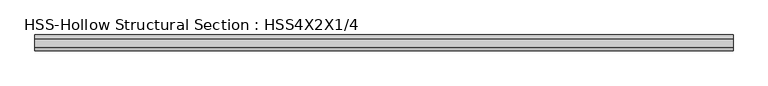
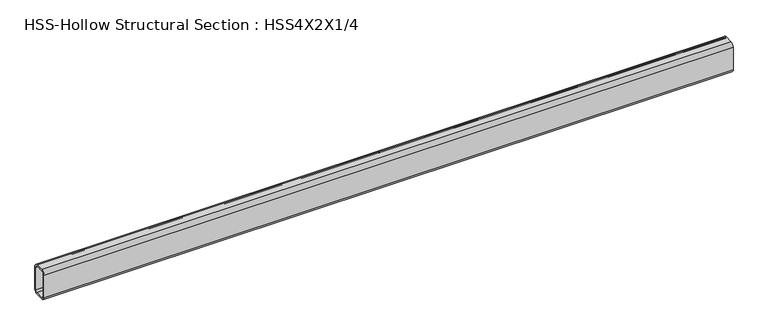
"""IFC4 building model written with IfcOpenShell, lengths in millimetres: beam geometry, HSS-Hollow Structural Section : HSS4X2X1/4."""

from ifc_helpers import new_model, si_unit, point, frame, frame_2d, origin, place, context, project, spatial, polyline, circle_curve, trimmed, segment, composite_curve, outline, extrude, source, transform, mapped, element, save


def hss_hollow_structural_section_hss4x2x1_4_ee63d13c(model_context):
    return source(origin(), model_context, "Body", "SweptSolid", [
        extrude(outline(composite_curve([segment(polyline([(25.4, 38.9636), (25.4, -38.9636)]), True, "CONTINUOUS"), segment(trimmed(circle_curve(frame_2d((13.5636, -38.9636)), 11.8364), [point((25.4, -38.9636))], [point((13.5636, -50.8))], False, "CARTESIAN"), True, "CONTINUOUS"), segment(polyline([(13.5636, -50.8), (-13.5636, -50.8)]), True, "CONTINUOUS"), segment(trimmed(circle_curve(frame_2d((-13.5636, -38.9636)), 11.8364), [point((-13.5636, -50.8))], [point((-25.4, -38.9636))], False, "CARTESIAN"), True, "CONTINUOUS"), segment(polyline([(-25.4, -38.9636), (-25.4, 38.9636)]), True, "CONTINUOUS"), segment(trimmed(circle_curve(frame_2d((-13.5636, 38.9636)), 11.8364), [point((-25.4, 38.9636))], [point((-13.5636, 50.8))], False, "CARTESIAN"), True, "CONTINUOUS"), segment(polyline([(-13.5636, 50.8), (13.5636, 50.8)]), True, "CONTINUOUS"), segment(trimmed(circle_curve(frame_2d((13.5636, 38.9636)), 11.8364), [point((13.5636, 50.8))], [point((25.4, 38.9636))], False, "CARTESIAN"), True, "CONTINUOUS")], self_intersect=False), holes=[composite_curve([segment(trimmed(circle_curve(frame_2d((-13.5636, 38.9636)), 5.9182), [point((-13.5636, 44.8818))], [point((-19.4818, 38.9636))], True, "CARTESIAN"), True, "CONTINUOUS"), segment(polyline([(-19.4818, 38.9636), (-19.4818, -38.9636)]), True, "CONTINUOUS"), segment(trimmed(circle_curve(frame_2d((-13.5636, -38.9636)), 5.9182), [point((-19.4818, -38.9636))], [point((-13.5636, -44.8818))], True, "CARTESIAN"), True, "CONTINUOUS"), segment(polyline([(-13.5636, -44.8818), (13.5636, -44.8818)]), True, "CONTINUOUS"), segment(trimmed(circle_curve(frame_2d((13.5636, -38.9636)), 5.9182), [point((13.5636, -44.8818))], [point((19.4818, -38.9636))], True, "CARTESIAN"), True, "CONTINUOUS"), segment(polyline([(19.4818, -38.9636), (19.4818, 38.9636)]), True, "CONTINUOUS"), segment(trimmed(circle_curve(frame_2d((13.5636, 38.9636)), 5.9182), [point((19.4818, 38.9636))], [point((13.5636, 44.8818))], True, "CARTESIAN"), True, "CONTINUOUS"), segment(polyline([(13.5636, 44.8818), (-13.5636, 44.8818)]), True, "CONTINUOUS")], self_intersect=False)]), frame((-1122.553, 0.0, 0.0), z_axis=(1.0, 0.0, 0.0), x_axis=(0.0, 1.0, 0.0)), (0.0, 0.0, 1.0), 2245.106),
    ])


if __name__ == "__main__":
    model = new_model("IFC4")
    model_context = context("Model", 3, world=origin())
    ifc_project = project(units=[si_unit("LENGTHUNIT", "METRE", prefix="MILLI")], contexts=[model_context])
    site = spatial("IfcSite", under=ifc_project)
    building = spatial("IfcBuilding", under=site)
    placement = place(None, origin())
    hss_hollow_structural_section_hss4x2x1_4_shape = hss_hollow_structural_section_hss4x2x1_4_ee63d13c(model_context)
    element("IfcBeam", 1, ObjectType="HSS-Hollow Structural Section : HSS4X2X1/4", at=placement, inside=building, context=model_context, shape_type="MappedRepresentation", body=[
        mapped(hss_hollow_structural_section_hss4x2x1_4_shape, transform((0.0, 0.0, 0.0), x_axis=(1.0, 0.0, 0.0), y_axis=(0.0, 1.0, 0.0), z_axis=(0.0, 0.0, 1.0))),
    ])
    save(model, "model.ifc")
